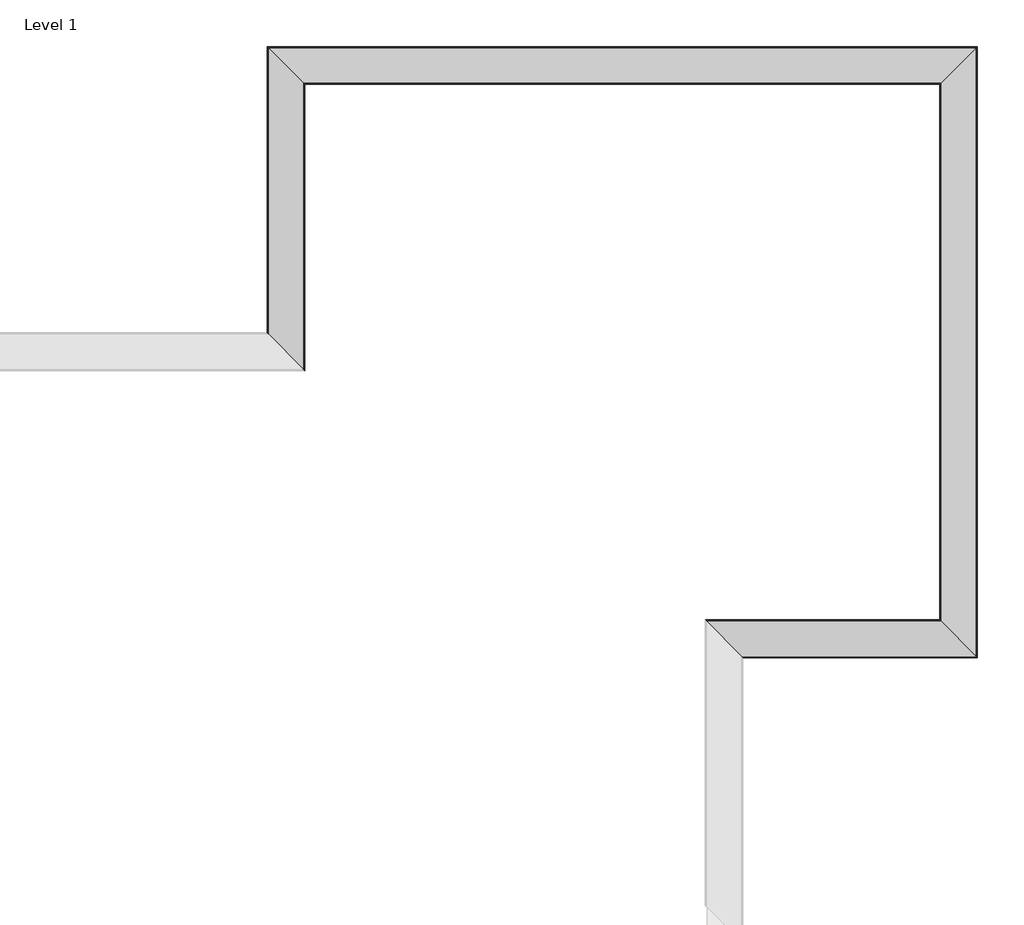
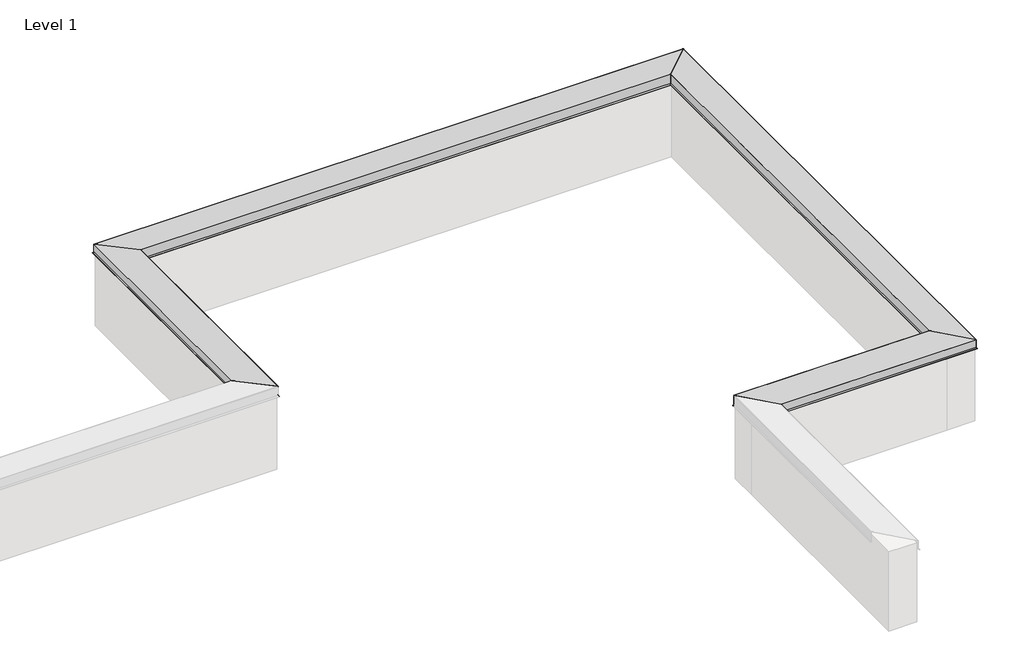
# One storey, part 2 of 2: 4 proxies.
"""IFC4 building model written with IfcOpenShell, lengths in millimetres."""

from ifc_helpers import new_model, si_unit, frame, origin, place, context, project, spatial, ellipse_curve, element, save
from ifc_brep_helpers import plane_surface, cylinder_surface, advanced_brep

model = new_model("IFC4")

# Units and contexts
model_context = context("Model", 3, world=origin())
ifc_project = project(units=[si_unit("LENGTHUNIT", "METRE", prefix="MILLI")], contexts=[model_context])

# Site, building, storey
site = spatial("IfcSite", under=ifc_project)
building = spatial("IfcBuilding", under=site)
storey = spatial("IfcBuildingStorey", under=building, Name="Level 1", Elevation=0.0)

# Proxies
placement = place(None, origin())
element("IfcBuildingElementProxy", 1, Name="Wall Sweeps", at=placement, inside=storey, context=model_context, shape_type="AdvancedBrep", body=[
    advanced_brep(
    [(-4897.3004714, 22766.7096342, 938.5532133), (-4897.3004714, 22766.7096342, 853.6034331), (-4905.2684654, 22774.6776281, 839.8024627), (-4903.7913777, 22773.2005405, 838.3536044), (-4894.2079525, 22763.6171153, 844.1359599), (-4894.7717906, 22764.1809533, 845.0704406), (-4904.2784533, 22773.6876161, 839.3344014), (-4896.2090652, 22765.6182279, 853.3109916), (-4896.2090652, 22765.6182279, 938.7085938), (-4572.3590652, 22441.7682279, 956.4191406), (-4572.3590652, 22441.7682279, 853.3109916), (-4564.289677, 22433.6988398, 839.3344014), (-4573.7963398, 22443.2055026, 845.0704406), (-4574.3601778, 22443.7693406, 844.1359599), (-4564.7767526, 22434.1859154, 838.3536044), (-4563.299665, 22432.7088278, 839.8024627), (-4571.2676589, 22440.6768217, 853.6034331), (-4571.2676589, 22440.6768217, 956.2061298), (-4572.6313554, 22442.0405181, 957.4972868), (-4896.1135138, 22765.5226766, 939.8068563), (-4897.3004714, 25363.4743409, 938.5532133), (-4896.1135138, 25362.2873833, 939.8068563), (-4572.6313554, 25038.8052248, 957.4972868), (-4571.2676589, 25037.4415284, 956.2061298), (-4571.2676589, 25037.4415284, 853.6034331), (-4563.299665, 25029.4735344, 839.8024627), (-4564.7767526, 25030.9506221, 838.3536044), (-4574.3601778, 25040.5340473, 844.1359599), (-4573.7963398, 25039.9702092, 845.0704406), (-4564.289677, 25030.4635465, 839.3344014), (-4572.3590652, 25038.5329346, 853.3109916), (-4572.3590652, 25038.5329346, 956.4191406), (-4896.2090652, 25362.3829346, 938.7085938), (-4896.2090652, 25362.3829346, 853.3109916), (-4904.2784533, 25370.4523228, 839.3344014), (-4894.7717906, 25360.94566, 845.0704406), (-4894.2079525, 25360.381822, 844.1359599), (-4903.7913777, 25369.9652472, 838.3536044), (-4905.2684654, 25371.4423348, 839.8024627), (-4897.3004714, 25363.4743409, 853.6034331)],
    [
        (0, 1),
        (1, 2),
        (2, 3, ellipse_curve(frame((-4904.3432831, 22773.7524459, 839.2683085), z_axis=(-0.7071067811865511, -0.707106781186544, 0.0), x_axis=(0.707106781186544, -0.7071067811865509, 0.0)), 1.5108163, 1.0683085)),
        (3, 4),
        (4, 5),
        (5, 6),
        (6, 7),
        (7, 8),
        (8, 9),
        (9, 10),
        (10, 11),
        (11, 12),
        (12, 13),
        (13, 14),
        (14, 15, ellipse_curve(frame((-4564.2248473, 22433.63401, 839.2683085), z_axis=(-0.7071067811865511, -0.707106781186544, 0.0), x_axis=(0.707106781186544, -0.7071067811865509, 0.0)), 1.5108163, 1.0683085)),
        (15, 16),
        (16, 17),
        (17, 18, ellipse_curve(frame((-4572.5607452, 22441.969908, 956.2061298), z_axis=(-0.7071067811865511, -0.707106781186544, 0.0), x_axis=(0.707106781186544, -0.7071067811865509, 0.0)), 1.8287002, 1.2930863)),
        (18, 19),
        (19, 0, ellipse_curve(frame((-4896.0449552, 22765.454118, 938.5532133), z_axis=(-0.7071067811865511, -0.707106781186544, 0.0), x_axis=(0.707106781186544, -0.7071067811865509, 0.0)), 1.775568, 1.2555162)),
        (20, 21, ellipse_curve(frame((-4896.0449552, 25362.2188247, 938.5532133), z_axis=(0.7071067811865511, 0.707106781186544, 0.0), x_axis=(0.707106781186544, -0.7071067811865509, 0.0)), 1.775568, 1.2555162)),
        (21, 22),
        (22, 23, ellipse_curve(frame((-4572.5607452, 25038.7346147, 956.2061298), z_axis=(0.7071067811865511, 0.707106781186544, 0.0), x_axis=(0.707106781186544, -0.7071067811865509, 0.0)), 1.8287002, 1.2930863)),
        (23, 24),
        (24, 25),
        (25, 26, ellipse_curve(frame((-4564.2248473, 25030.3987167, 839.2683085), z_axis=(0.7071067811865511, 0.707106781186544, 0.0), x_axis=(0.707106781186544, -0.7071067811865509, 0.0)), 1.5108163, 1.0683085)),
        (26, 27),
        (27, 28),
        (28, 29),
        (29, 30),
        (30, 31),
        (31, 32),
        (32, 33),
        (33, 34),
        (34, 35),
        (35, 36),
        (36, 37),
        (37, 38, ellipse_curve(frame((-4904.3432831, 25370.5171525, 839.2683085), z_axis=(0.7071067811865511, 0.707106781186544, 0.0), x_axis=(0.707106781186544, -0.7071067811865509, 0.0)), 1.5108163, 1.0683085)),
        (38, 39),
        (39, 20),
        (0, 20),
        (39, 1),
        (38, 2),
        (37, 3),
        (36, 4),
        (35, 5),
        (34, 6),
        (33, 7),
        (32, 8),
        (31, 9),
        (30, 10),
        (29, 11),
        (28, 12),
        (27, 13),
        (26, 14),
        (25, 15),
        (24, 16),
        (23, 17),
        (22, 18),
        (21, 19),
    ],
    [
        plane_surface(frame((-4734.2840652, 22603.6932279, 609.6), z_axis=(-0.7071067811865511, -0.707106781186544, 0.0), x_axis=(-0.707106781186544, 0.7071067811865511, 0.0))),
        plane_surface(frame((-4734.2840652, 25200.4579346, 1219.2), z_axis=(0.7071067811865511, 0.707106781186544, 0.0), x_axis=(0.707106781186544, -0.7071067811865511, 0.0))),
        plane_surface(frame((-4897.3004714, 22766.7096342, 938.5532133), z_axis=(-1.0, 0.0, 0.0), x_axis=(0.0, 1.0, 0.0))),
        plane_surface(frame((-4897.3004714, 22766.7096342, 853.6034331), z_axis=(-0.8660254037844569, 0.0, 0.4999999999999685), x_axis=(0.0, 1.0, 0.0))),
        cylinder_surface(frame((-4904.3432831, 22603.6932279, 839.2683085), z_axis=(0.0, -1.0, 0.0), x_axis=(1.0, 0.0, 0.0)), 1.0683085),
        plane_surface(frame((-4903.7913777, 22773.2005405, 838.3536044), z_axis=(0.5166161099101971, 0.0, -0.8562171424243123), x_axis=(0.0, 1.0, 0.0))),
        plane_surface(frame((-4894.2079525, 22763.6171153, 844.1359599), z_axis=(0.8562171424243104, 0.0, 0.5166161099102006), x_axis=(0.0, 1.0, 0.0))),
        plane_surface(frame((-4894.7717906, 22764.1809533, 845.0704406), z_axis=(-0.5166161099101976, 0.0, 0.8562171424243121), x_axis=(0.0, 1.0, 0.0))),
        plane_surface(frame((-4904.2784533, 22773.6876161, 839.3344014), z_axis=(0.8660254037844562, 0.0, -0.4999999999999696), x_axis=(0.0, 1.0, 0.0))),
        plane_surface(frame((-4896.2090652, 22765.6182279, 853.3109916), z_axis=(1.0, 0.0, 0.0), x_axis=(0.0, 1.0, 0.0))),
        plane_surface(frame((-4896.2090652, 22765.6182279, 938.7085938), z_axis=(0.054605905401932484, 0.0, -0.9985079844924803), x_axis=(0.0, 1.0, 0.0))),
        plane_surface(frame((-4572.3590652, 22441.7682279, 956.4191406), z_axis=(-1.0, 0.0, 0.0), x_axis=(0.0, 1.0, 0.0))),
        plane_surface(frame((-4572.3590652, 22441.7682279, 853.3109916), z_axis=(-0.8660254037844567, 0.0, -0.49999999999996875), x_axis=(0.0, 1.0, 0.0))),
        plane_surface(frame((-4564.289677, 22433.6988398, 839.3344014), z_axis=(0.5166161099101967, 0.0, 0.8562171424243127), x_axis=(0.0, 1.0, 0.0))),
        plane_surface(frame((-4573.7963398, 22443.2055026, 845.0704406), z_axis=(-0.8562171424243104, 0.0, 0.5166161099102006), x_axis=(0.0, 1.0, 0.0))),
        plane_surface(frame((-4574.3601778, 22443.7693406, 844.1359599), z_axis=(-0.5166161099101941, 0.0, -0.8562171424243141), x_axis=(0.0, 1.0, 0.0))),
        cylinder_surface(frame((-4564.2248473, 22603.6932279, 839.2683085), z_axis=(0.0, -1.0, 0.0), x_axis=(1.0, 0.0, 0.0)), 1.0683085),
        plane_surface(frame((-4563.299665, 22432.7088278, 839.8024627), z_axis=(0.8660254037844565, 0.0, 0.4999999999999693), x_axis=(0.0, 1.0, 0.0))),
        plane_surface(frame((-4571.2676589, 22440.6768217, 853.6034331), z_axis=(1.0, 0.0, 0.0), x_axis=(0.0, 1.0, 0.0))),
        cylinder_surface(frame((-4572.5607452, 22603.6932279, 956.2061298), z_axis=(0.0, -1.0, 0.0), x_axis=(1.0, 0.0, 0.0)), 1.2930863),
        plane_surface(frame((-4572.6313554, 22442.0405181, 957.4972868), z_axis=(-0.05460590540193245, 0.0, 0.9985079844924803), x_axis=(0.0, 1.0, 0.0))),
        cylinder_surface(frame((-4896.0449552, 22603.6932279, 938.5532133), z_axis=(0.0, -1.0, 0.0), x_axis=(1.0, 0.0, 0.0)), 1.2555162),
    ],
    [
        (0, [[1, 2, 3, 4, 5, 6, 7, 8, 9, 10, 11, 12, 13, 14, 15, 16, 17, 18, 19, 20]]),
        (1, [[21, 22, 23, 24, 25, 26, 27, 28, 29, 30, 31, 32, 33, 34, 35, 36, 37, 38, 39, 40]]),
        (2, [[-1, 41, -40, 42]]),
        (3, [[-2, -42, -39, 43]]),
        (4, [[-3, -43, -38, 44]]),
        (5, [[-4, -44, -37, 45]]),
        (6, [[-5, -45, -36, 46]]),
        (7, [[-6, -46, -35, 47]]),
        (8, [[-7, -47, -34, 48]]),
        (9, [[-8, -48, -33, 49]]),
        (10, [[-9, -49, -32, 50]]),
        (11, [[-10, -50, -31, 51]]),
        (12, [[-11, -51, -30, 52]]),
        (13, [[-12, -52, -29, 53]]),
        (14, [[-13, -53, -28, 54]]),
        (15, [[-14, -54, -27, 55]]),
        (16, [[-15, -55, -26, 56]]),
        (17, [[-16, -56, -25, 57]]),
        (18, [[-17, -57, -24, 58]]),
        (19, [[-18, -58, -23, 59]]),
        (20, [[-19, -59, -22, 60]]),
        (21, [[-20, -60, -21, -41]]),
    ],
),
])
element("IfcBuildingElementProxy", 2, Name="Wall Sweeps", at=placement, inside=storey, context=model_context, shape_type="AdvancedBrep", body=[
    advanced_brep(
    [(-4897.3004714, 25363.4743409, 938.5532133), (-4897.3004714, 25363.4743409, 853.6034331), (-4905.2684654, 25371.4423348, 839.8024627), (-4903.7913777, 25369.9652472, 838.3536044), (-4894.2079525, 25360.381822, 844.1359599), (-4894.7717906, 25360.94566, 845.0704406), (-4904.2784533, 25370.4523228, 839.3344014), (-4896.2090652, 25362.3829346, 853.3109916), (-4896.2090652, 25362.3829346, 938.7085938), (-4572.3590652, 25038.5329346, 956.4191406), (-4572.3590652, 25038.5329346, 853.3109916), (-4564.289677, 25030.4635465, 839.3344014), (-4573.7963398, 25039.9702092, 845.0704406), (-4574.3601778, 25040.5340473, 844.1359599), (-4564.7767526, 25030.9506221, 838.3536044), (-4563.299665, 25029.4735344, 839.8024627), (-4571.2676589, 25037.4415284, 853.6034331), (-4571.2676589, 25037.4415284, 956.2061298), (-4572.6313554, 25038.8052248, 957.4972868), (-4896.1135138, 25362.2873833, 939.8068563), (1530.6970478, 25363.4743409, 938.5532133), (1529.5100902, 25362.2873833, 939.8068563), (1206.0279317, 25038.8052248, 957.4972868), (1204.6642353, 25037.4415284, 956.2061298), (1204.6642353, 25037.4415284, 853.6034331), (1196.6962413, 25029.4735344, 839.8024627), (1198.173329, 25030.9506221, 838.3536044), (1207.7567542, 25040.5340473, 844.1359599), (1207.1929161, 25039.9702092, 845.0704406), (1197.6862534, 25030.4635465, 839.3344014), (1205.7556415, 25038.5329346, 853.3109916), (1205.7556415, 25038.5329346, 956.4191406), (1529.6056415, 25362.3829346, 938.7085938), (1529.6056415, 25362.3829346, 853.3109916), (1537.6750297, 25370.4523228, 839.3344014), (1528.1683669, 25360.94566, 845.0704406), (1527.6045289, 25360.381822, 844.1359599), (1537.1879541, 25369.9652472, 838.3536044), (1538.6650417, 25371.4423348, 839.8024627), (1530.6970478, 25363.4743409, 853.6034331)],
    [
        (0, 1),
        (1, 2),
        (2, 3, ellipse_curve(frame((-4904.3432831, 25370.5171525, 839.2683085), z_axis=(-0.7071067811865511, -0.707106781186544, 0.0), x_axis=(-0.7071067811865439, 0.7071067811865511, 0.0)), 1.5108163, 1.0683085)),
        (3, 4),
        (4, 5),
        (5, 6),
        (6, 7),
        (7, 8),
        (8, 9),
        (9, 10),
        (10, 11),
        (11, 12),
        (12, 13),
        (13, 14),
        (14, 15, ellipse_curve(frame((-4564.2248473, 25030.3987167, 839.2683085), z_axis=(-0.7071067811865511, -0.707106781186544, 0.0), x_axis=(-0.7071067811865439, 0.7071067811865511, 0.0)), 1.5108163, 1.0683085)),
        (15, 16),
        (16, 17),
        (17, 18, ellipse_curve(frame((-4572.5607452, 25038.7346147, 956.2061298), z_axis=(-0.7071067811865511, -0.707106781186544, 0.0), x_axis=(-0.7071067811865439, 0.7071067811865511, 0.0)), 1.8287002, 1.2930863)),
        (18, 19),
        (19, 0, ellipse_curve(frame((-4896.0449552, 25362.2188247, 938.5532133), z_axis=(-0.7071067811865511, -0.707106781186544, 0.0), x_axis=(-0.7071067811865439, 0.7071067811865511, 0.0)), 1.775568, 1.2555162)),
        (20, 21, ellipse_curve(frame((1529.4415316, 25362.2188247, 938.5532133), z_axis=(0.7071067811865425, -0.7071067811865527, 0.0), x_axis=(-0.7071067811865525, -0.7071067811865426, 0.0)), 1.775568, 1.2555162)),
        (21, 22),
        (22, 23, ellipse_curve(frame((1205.9573216, 25038.7346147, 956.2061298), z_axis=(0.7071067811865425, -0.7071067811865527, 0.0), x_axis=(-0.7071067811865525, -0.7071067811865426, 0.0)), 1.8287002, 1.2930863)),
        (23, 24),
        (24, 25),
        (25, 26, ellipse_curve(frame((1197.6214236, 25030.3987167, 839.2683085), z_axis=(0.7071067811865425, -0.7071067811865527, 0.0), x_axis=(-0.7071067811865525, -0.7071067811865426, 0.0)), 1.5108163, 1.0683085)),
        (26, 27),
        (27, 28),
        (28, 29),
        (29, 30),
        (30, 31),
        (31, 32),
        (32, 33),
        (33, 34),
        (34, 35),
        (35, 36),
        (36, 37),
        (37, 38, ellipse_curve(frame((1537.7398594, 25370.5171525, 839.2683085), z_axis=(0.7071067811865425, -0.7071067811865527, 0.0), x_axis=(-0.7071067811865525, -0.7071067811865426, 0.0)), 1.5108163, 1.0683085)),
        (38, 39),
        (39, 20),
        (0, 20),
        (39, 1),
        (38, 2),
        (37, 3),
        (36, 4),
        (35, 5),
        (34, 6),
        (33, 7),
        (32, 8),
        (31, 9),
        (30, 10),
        (29, 11),
        (28, 12),
        (27, 13),
        (26, 14),
        (25, 15),
        (24, 16),
        (23, 17),
        (22, 18),
        (21, 19),
    ],
    [
        plane_surface(frame((-4734.2840652, 25200.4579346, 1219.2), z_axis=(-0.7071067811865511, -0.707106781186544, 0.0), x_axis=(0.707106781186544, -0.7071067811865511, 0.0))),
        plane_surface(frame((1367.6806415, 25200.4579346, 1219.2), z_axis=(0.7071067811865425, -0.7071067811865527, 0.0), x_axis=(-0.7071067811865527, -0.7071067811865425, 0.0))),
        plane_surface(frame((-4897.3004714, 25363.4743409, 938.5532133), z_axis=(0.0, 1.0, 0.0), x_axis=(1.0, 0.0, 0.0))),
        plane_surface(frame((-4897.3004714, 25363.4743409, 853.6034331), z_axis=(0.0, 0.8660254037844569, 0.4999999999999685), x_axis=(1.0, 0.0, 0.0))),
        cylinder_surface(frame((-4734.2840652, 25370.5171525, 839.2683085), z_axis=(-1.0, 0.0, 0.0), x_axis=(0.0, -1.0, 0.0)), 1.0683085),
        plane_surface(frame((-4903.7913777, 25369.9652472, 838.3536044), z_axis=(0.0, -0.5166161099101971, -0.8562171424243123), x_axis=(1.0, 0.0, 0.0))),
        plane_surface(frame((-4894.2079525, 25360.381822, 844.1359599), z_axis=(0.0, -0.8562171424243104, 0.5166161099102006), x_axis=(1.0, 0.0, 0.0))),
        plane_surface(frame((-4894.7717906, 25360.94566, 845.0704406), z_axis=(0.0, 0.5166161099101976, 0.8562171424243121), x_axis=(1.0, 0.0, 0.0))),
        plane_surface(frame((-4904.2784533, 25370.4523228, 839.3344014), z_axis=(0.0, -0.8660254037844562, -0.4999999999999696), x_axis=(1.0, 0.0, 0.0))),
        plane_surface(frame((-4896.2090652, 25362.3829346, 853.3109916), z_axis=(0.0, -1.0, 0.0), x_axis=(1.0, 0.0, 0.0))),
        plane_surface(frame((-4896.2090652, 25362.3829346, 938.7085938), z_axis=(0.0, -0.054605905401932484, -0.9985079844924803), x_axis=(1.0, 0.0, 0.0))),
        plane_surface(frame((-4572.3590652, 25038.5329346, 956.4191406), z_axis=(0.0, 1.0, 0.0), x_axis=(1.0, 0.0, 0.0))),
        plane_surface(frame((-4572.3590652, 25038.5329346, 853.3109916), z_axis=(0.0, 0.8660254037844567, -0.49999999999996875), x_axis=(1.0, 0.0, 0.0))),
        plane_surface(frame((-4564.289677, 25030.4635465, 839.3344014), z_axis=(0.0, -0.5166161099101967, 0.8562171424243127), x_axis=(1.0, 0.0, 0.0))),
        plane_surface(frame((-4573.7963398, 25039.9702092, 845.0704406), z_axis=(0.0, 0.8562171424243104, 0.5166161099102006), x_axis=(1.0, 0.0, 0.0))),
        plane_surface(frame((-4574.3601778, 25040.5340473, 844.1359599), z_axis=(0.0, 0.5166161099101941, -0.8562171424243141), x_axis=(1.0, 0.0, 0.0))),
        cylinder_surface(frame((-4734.2840652, 25030.3987167, 839.2683085), z_axis=(-1.0, 0.0, 0.0), x_axis=(0.0, -1.0, 0.0)), 1.0683085),
        plane_surface(frame((-4563.299665, 25029.4735344, 839.8024627), z_axis=(0.0, -0.8660254037844565, 0.4999999999999693), x_axis=(1.0, 0.0, 0.0))),
        plane_surface(frame((-4571.2676589, 25037.4415284, 853.6034331), z_axis=(0.0, -1.0, 0.0), x_axis=(1.0, 0.0, 0.0))),
        cylinder_surface(frame((-4734.2840652, 25038.7346147, 956.2061298), z_axis=(-1.0, 0.0, 0.0), x_axis=(0.0, -1.0, 0.0)), 1.2930863),
        plane_surface(frame((-4572.6313554, 25038.8052248, 957.4972868), z_axis=(0.0, 0.05460590540193245, 0.9985079844924803), x_axis=(1.0, 0.0, 0.0))),
        cylinder_surface(frame((-4734.2840652, 25362.2188247, 938.5532133), z_axis=(-1.0, 0.0, 0.0), x_axis=(0.0, -1.0, 0.0)), 1.2555162),
    ],
    [
        (0, [[1, 2, 3, 4, 5, 6, 7, 8, 9, 10, 11, 12, 13, 14, 15, 16, 17, 18, 19, 20]]),
        (1, [[21, 22, 23, 24, 25, 26, 27, 28, 29, 30, 31, 32, 33, 34, 35, 36, 37, 38, 39, 40]]),
        (2, [[-1, 41, -40, 42]]),
        (3, [[-2, -42, -39, 43]]),
        (4, [[-3, -43, -38, 44]]),
        (5, [[-4, -44, -37, 45]]),
        (6, [[-5, -45, -36, 46]]),
        (7, [[-6, -46, -35, 47]]),
        (8, [[-7, -47, -34, 48]]),
        (9, [[-8, -48, -33, 49]]),
        (10, [[-9, -49, -32, 50]]),
        (11, [[-10, -50, -31, 51]]),
        (12, [[-11, -51, -30, 52]]),
        (13, [[-12, -52, -29, 53]]),
        (14, [[-13, -53, -28, 54]]),
        (15, [[-14, -54, -27, 55]]),
        (16, [[-15, -55, -26, 56]]),
        (17, [[-16, -56, -25, 57]]),
        (18, [[-17, -57, -24, 58]]),
        (19, [[-18, -58, -23, 59]]),
        (20, [[-19, -59, -22, 60]]),
        (21, [[-20, -60, -21, -41]]),
    ],
),
])
element("IfcBuildingElementProxy", 3, Name="Wall Sweeps", at=placement, inside=storey, context=model_context, shape_type="AdvancedBrep", body=[
    advanced_brep(
    [(1530.6970478, 25363.4743409, 938.5532133), (1530.6970478, 25363.4743409, 853.6034331), (1538.6650417, 25371.4423348, 839.8024627), (1537.1879541, 25369.9652472, 838.3536044), (1527.6045289, 25360.381822, 844.1359599), (1528.1683669, 25360.94566, 845.0704406), (1537.6750297, 25370.4523228, 839.3344014), (1529.6056415, 25362.3829346, 853.3109916), (1529.6056415, 25362.3829346, 938.7085938), (1205.7556415, 25038.5329346, 956.4191406), (1205.7556415, 25038.5329346, 853.3109916), (1197.6862534, 25030.4635465, 839.3344014), (1207.1929161, 25039.9702092, 845.0704406), (1207.7567542, 25040.5340473, 844.1359599), (1198.173329, 25030.9506221, 838.3536044), (1196.6962413, 25029.4735344, 839.8024627), (1204.6642353, 25037.4415284, 853.6034331), (1204.6642353, 25037.4415284, 956.2061298), (1206.0279317, 25038.8052248, 957.4972868), (1529.5100902, 25362.2873833, 939.8068563), (1530.6970478, 19837.1584116, 938.5532133), (1529.5100902, 19838.3453692, 939.8068563), (1206.0279317, 20161.8275277, 957.4972868), (1204.6642353, 20163.1912241, 956.2061298), (1204.6642353, 20163.1912241, 853.6034331), (1196.6962413, 20171.1592181, 839.8024627), (1198.173329, 20169.6821304, 838.3536044), (1207.7567542, 20160.0987052, 844.1359599), (1207.1929161, 20160.6625433, 845.0704406), (1197.6862534, 20170.1692061, 839.3344014), (1205.7556415, 20162.0998179, 853.3109916), (1205.7556415, 20162.0998179, 956.4191406), (1529.6056415, 19838.2498179, 938.7085938), (1529.6056415, 19838.2498179, 853.3109916), (1537.6750297, 19830.1804297, 839.3344014), (1528.1683669, 19839.6870925, 845.0704406), (1527.6045289, 19840.2509306, 844.1359599), (1537.1879541, 19830.6675054, 838.3536044), (1538.6650417, 19829.1904177, 839.8024627), (1530.6970478, 19837.1584116, 853.6034331)],
    [
        (0, 1),
        (1, 2),
        (2, 3, ellipse_curve(frame((1537.7398594, 25370.5171525, 839.2683085), z_axis=(-0.7071067811865425, 0.7071067811865527, 0.0), x_axis=(0.7071067811865527, 0.7071067811865424, 0.0)), 1.5108163, 1.0683085)),
        (3, 4),
        (4, 5),
        (5, 6),
        (6, 7),
        (7, 8),
        (8, 9),
        (9, 10),
        (10, 11),
        (11, 12),
        (12, 13),
        (13, 14),
        (14, 15, ellipse_curve(frame((1197.6214236, 25030.3987167, 839.2683085), z_axis=(-0.7071067811865425, 0.7071067811865527, 0.0), x_axis=(0.7071067811865527, 0.7071067811865424, 0.0)), 1.5108163, 1.0683085)),
        (15, 16),
        (16, 17),
        (17, 18, ellipse_curve(frame((1205.9573216, 25038.7346147, 956.2061298), z_axis=(-0.7071067811865425, 0.7071067811865527, 0.0), x_axis=(0.7071067811865527, 0.7071067811865424, 0.0)), 1.8287002, 1.2930863)),
        (18, 19),
        (19, 0, ellipse_curve(frame((1529.4415316, 25362.2188247, 938.5532133), z_axis=(-0.7071067811865425, 0.7071067811865527, 0.0), x_axis=(0.7071067811865527, 0.7071067811865424, 0.0)), 1.775568, 1.2555162)),
        (20, 21, ellipse_curve(frame((1529.4415316, 19838.4139278, 938.5532133), z_axis=(-0.7071067811865513, -0.7071067811865438, 0.0), x_axis=(-0.7071067811865438, 0.7071067811865512, 0.0)), 1.775568, 1.2555162)),
        (21, 22),
        (22, 23, ellipse_curve(frame((1205.9573216, 20161.8981379, 956.2061298), z_axis=(-0.7071067811865513, -0.7071067811865438, 0.0), x_axis=(-0.7071067811865438, 0.7071067811865512, 0.0)), 1.8287002, 1.2930863)),
        (23, 24),
        (24, 25),
        (25, 26, ellipse_curve(frame((1197.6214236, 20170.2340358, 839.2683085), z_axis=(-0.7071067811865513, -0.7071067811865438, 0.0), x_axis=(-0.7071067811865438, 0.7071067811865512, 0.0)), 1.5108163, 1.0683085)),
        (26, 27),
        (27, 28),
        (28, 29),
        (29, 30),
        (30, 31),
        (31, 32),
        (32, 33),
        (33, 34),
        (34, 35),
        (35, 36),
        (36, 37),
        (37, 38, ellipse_curve(frame((1537.7398594, 19830.1156, 839.2683085), z_axis=(-0.7071067811865513, -0.7071067811865438, 0.0), x_axis=(-0.7071067811865438, 0.7071067811865512, 0.0)), 1.5108163, 1.0683085)),
        (38, 39),
        (39, 20),
        (0, 20),
        (39, 1),
        (38, 2),
        (37, 3),
        (36, 4),
        (35, 5),
        (34, 6),
        (33, 7),
        (32, 8),
        (31, 9),
        (30, 10),
        (29, 11),
        (28, 12),
        (27, 13),
        (26, 14),
        (25, 15),
        (24, 16),
        (23, 17),
        (22, 18),
        (21, 19),
    ],
    [
        plane_surface(frame((1367.6806415, 25200.4579346, 1219.2), z_axis=(-0.7071067811865425, 0.7071067811865527, 0.0), x_axis=(-0.7071067811865527, -0.7071067811865425, 0.0))),
        plane_surface(frame((1367.6806415, 20000.1748179, 1219.2), z_axis=(-0.7071067811865513, -0.7071067811865438, 0.0), x_axis=(-0.7071067811865438, 0.7071067811865513, 0.0))),
        plane_surface(frame((1530.6970478, 25363.4743409, 938.5532133), z_axis=(1.0, 0.0, 0.0), x_axis=(0.0, -1.0, 0.0))),
        plane_surface(frame((1530.6970478, 25363.4743409, 853.6034331), z_axis=(0.8660254037844569, 0.0, 0.4999999999999685), x_axis=(0.0, -1.0, 0.0))),
        cylinder_surface(frame((1537.7398594, 25200.4579346, 839.2683085), z_axis=(0.0, 1.0, 0.0), x_axis=(-1.0, 0.0, 0.0)), 1.0683085),
        plane_surface(frame((1537.1879541, 25369.9652472, 838.3536044), z_axis=(-0.5166161099101971, 0.0, -0.8562171424243123), x_axis=(0.0, -1.0, 0.0))),
        plane_surface(frame((1527.6045289, 25360.381822, 844.1359599), z_axis=(-0.8562171424243104, 0.0, 0.5166161099102006), x_axis=(0.0, -1.0, 0.0))),
        plane_surface(frame((1528.1683669, 25360.94566, 845.0704406), z_axis=(0.5166161099101976, 0.0, 0.8562171424243121), x_axis=(0.0, -1.0, 0.0))),
        plane_surface(frame((1537.6750297, 25370.4523228, 839.3344014), z_axis=(-0.8660254037844562, 0.0, -0.4999999999999696), x_axis=(0.0, -1.0, 0.0))),
        plane_surface(frame((1529.6056415, 25362.3829346, 853.3109916), z_axis=(-1.0, 0.0, 0.0), x_axis=(0.0, -1.0, 0.0))),
        plane_surface(frame((1529.6056415, 25362.3829346, 938.7085938), z_axis=(-0.054605905401932484, 0.0, -0.9985079844924803), x_axis=(0.0, -1.0, 0.0))),
        plane_surface(frame((1205.7556415, 25038.5329346, 956.4191406), z_axis=(1.0, 0.0, 0.0), x_axis=(0.0, -1.0, 0.0))),
        plane_surface(frame((1205.7556415, 25038.5329346, 853.3109916), z_axis=(0.8660254037844567, 0.0, -0.49999999999996875), x_axis=(0.0, -1.0, 0.0))),
        plane_surface(frame((1197.6862534, 25030.4635465, 839.3344014), z_axis=(-0.5166161099101967, 0.0, 0.8562171424243127), x_axis=(0.0, -1.0, 0.0))),
        plane_surface(frame((1207.1929161, 25039.9702092, 845.0704406), z_axis=(0.8562171424243104, 0.0, 0.5166161099102006), x_axis=(0.0, -1.0, 0.0))),
        plane_surface(frame((1207.7567542, 25040.5340473, 844.1359599), z_axis=(0.5166161099101941, 0.0, -0.8562171424243141), x_axis=(0.0, -1.0, 0.0))),
        cylinder_surface(frame((1197.6214236, 25200.4579346, 839.2683085), z_axis=(0.0, 1.0, 0.0), x_axis=(-1.0, 0.0, 0.0)), 1.0683085),
        plane_surface(frame((1196.6962413, 25029.4735344, 839.8024627), z_axis=(-0.8660254037844565, 0.0, 0.4999999999999693), x_axis=(0.0, -1.0, 0.0))),
        plane_surface(frame((1204.6642353, 25037.4415284, 853.6034331), z_axis=(-1.0, 0.0, 0.0), x_axis=(0.0, -1.0, 0.0))),
        cylinder_surface(frame((1205.9573216, 25200.4579346, 956.2061298), z_axis=(0.0, 1.0, 0.0), x_axis=(-1.0, 0.0, 0.0)), 1.2930863),
        plane_surface(frame((1206.0279317, 25038.8052248, 957.4972868), z_axis=(0.05460590540193245, 0.0, 0.9985079844924803), x_axis=(0.0, -1.0, 0.0))),
        cylinder_surface(frame((1529.4415316, 25200.4579346, 938.5532133), z_axis=(0.0, 1.0, 0.0), x_axis=(-1.0, 0.0, 0.0)), 1.2555162),
    ],
    [
        (0, [[1, 2, 3, 4, 5, 6, 7, 8, 9, 10, 11, 12, 13, 14, 15, 16, 17, 18, 19, 20]]),
        (1, [[21, 22, 23, 24, 25, 26, 27, 28, 29, 30, 31, 32, 33, 34, 35, 36, 37, 38, 39, 40]]),
        (2, [[-1, 41, -40, 42]]),
        (3, [[-2, -42, -39, 43]]),
        (4, [[-3, -43, -38, 44]]),
        (5, [[-4, -44, -37, 45]]),
        (6, [[-5, -45, -36, 46]]),
        (7, [[-6, -46, -35, 47]]),
        (8, [[-7, -47, -34, 48]]),
        (9, [[-8, -48, -33, 49]]),
        (10, [[-9, -49, -32, 50]]),
        (11, [[-10, -50, -31, 51]]),
        (12, [[-11, -51, -30, 52]]),
        (13, [[-12, -52, -29, 53]]),
        (14, [[-13, -53, -28, 54]]),
        (15, [[-14, -54, -27, 55]]),
        (16, [[-15, -55, -26, 56]]),
        (17, [[-16, -56, -25, 57]]),
        (18, [[-17, -57, -24, 58]]),
        (19, [[-18, -58, -23, 59]]),
        (20, [[-19, -59, -22, 60]]),
        (21, [[-20, -60, -21, -41]]),
    ],
),
])
element("IfcBuildingElementProxy", 4, Name="Wall Sweeps", at=placement, inside=storey, context=model_context, shape_type="AdvancedBrep", body=[
    advanced_brep(
    [(1530.6970478, 19837.1584116, 938.5532133), (1530.6970478, 19837.1584116, 853.6034331), (1538.6650417, 19829.1904177, 839.8024627), (1537.1879541, 19830.6675054, 838.3536044), (1527.6045289, 19840.2509306, 844.1359599), (1528.1683669, 19839.6870925, 845.0704406), (1537.6750297, 19830.1804297, 839.3344014), (1529.6056415, 19838.2498179, 853.3109916), (1529.6056415, 19838.2498179, 938.7085938), (1205.7556415, 20162.0998179, 956.4191406), (1205.7556415, 20162.0998179, 853.3109916), (1197.6862534, 20170.1692061, 839.3344014), (1207.1929161, 20160.6625433, 845.0704406), (1207.7567542, 20160.0987052, 844.1359599), (1198.173329, 20169.6821304, 838.3536044), (1196.6962413, 20171.1592181, 839.8024627), (1204.6642353, 20163.1912241, 853.6034331), (1204.6642353, 20163.1912241, 956.2061298), (1206.0279317, 20161.8275277, 957.4972868), (1529.5100902, 19838.3453692, 939.8068563), (-596.1492489, 19837.1584116, 938.5532133), (-597.3362065, 19838.3453692, 939.8068563), (-920.8183649, 20161.8275277, 957.4972868), (-922.1820614, 20163.1912241, 956.2061298), (-922.1820614, 20163.1912241, 853.6034331), (-930.1500553, 20171.1592181, 839.8024627), (-928.6729677, 20169.6821304, 838.3536044), (-919.0895425, 20160.0987052, 844.1359599), (-919.6533805, 20160.6625433, 845.0704406), (-929.1600433, 20170.1692061, 839.3344014), (-921.0906551, 20162.0998179, 853.3109916), (-921.0906551, 20162.0998179, 956.4191406), (-597.2406551, 19838.2498179, 938.7085938), (-597.2406551, 19838.2498179, 853.3109916), (-589.171267, 19830.1804297, 839.3344014), (-598.6779297, 19839.6870925, 845.0704406), (-599.2417678, 19840.2509306, 844.1359599), (-589.6583426, 19830.6675054, 838.3536044), (-588.1812549, 19829.1904177, 839.8024627), (-596.1492489, 19837.1584116, 853.6034331)],
    [
        (0, 1),
        (1, 2),
        (2, 3, ellipse_curve(frame((1537.7398594, 19830.1156, 839.2683085), z_axis=(0.7071067811865513, 0.7071067811865438, 0.0), x_axis=(0.7071067811865436, -0.7071067811865515, 0.0)), 1.5108163, 1.0683085)),
        (3, 4),
        (4, 5),
        (5, 6),
        (6, 7),
        (7, 8),
        (8, 9),
        (9, 10),
        (10, 11),
        (11, 12),
        (12, 13),
        (13, 14),
        (14, 15, ellipse_curve(frame((1197.6214236, 20170.2340358, 839.2683085), z_axis=(0.7071067811865513, 0.7071067811865438, 0.0), x_axis=(0.7071067811865436, -0.7071067811865515, 0.0)), 1.5108163, 1.0683085)),
        (15, 16),
        (16, 17),
        (17, 18, ellipse_curve(frame((1205.9573216, 20161.8981379, 956.2061298), z_axis=(0.7071067811865513, 0.7071067811865438, 0.0), x_axis=(0.7071067811865436, -0.7071067811865515, 0.0)), 1.8287002, 1.2930863)),
        (18, 19),
        (19, 0, ellipse_curve(frame((1529.4415316, 19838.4139278, 938.5532133), z_axis=(0.7071067811865513, 0.7071067811865438, 0.0), x_axis=(0.7071067811865436, -0.7071067811865515, 0.0)), 1.775568, 1.2555162)),
        (20, 21, ellipse_curve(frame((-597.4047651, 19838.4139278, 938.5532133), z_axis=(-0.7071067811865513, -0.7071067811865438, 0.0), x_axis=(0.7071067811865436, -0.7071067811865515, 0.0)), 1.775568, 1.2555162)),
        (21, 22),
        (22, 23, ellipse_curve(frame((-920.8889751, 20161.8981379, 956.2061298), z_axis=(-0.7071067811865513, -0.7071067811865438, 0.0), x_axis=(0.7071067811865436, -0.7071067811865515, 0.0)), 1.8287002, 1.2930863)),
        (23, 24),
        (24, 25),
        (25, 26, ellipse_curve(frame((-929.224873, 20170.2340358, 839.2683085), z_axis=(-0.7071067811865513, -0.7071067811865438, 0.0), x_axis=(0.7071067811865436, -0.7071067811865515, 0.0)), 1.5108163, 1.0683085)),
        (26, 27),
        (27, 28),
        (28, 29),
        (29, 30),
        (30, 31),
        (31, 32),
        (32, 33),
        (33, 34),
        (34, 35),
        (35, 36),
        (36, 37),
        (37, 38, ellipse_curve(frame((-589.1064372, 19830.1156, 839.2683085), z_axis=(-0.7071067811865513, -0.7071067811865438, 0.0), x_axis=(0.7071067811865436, -0.7071067811865515, 0.0)), 1.5108163, 1.0683085)),
        (38, 39),
        (39, 20),
        (0, 20),
        (39, 1),
        (38, 2),
        (37, 3),
        (36, 4),
        (35, 5),
        (34, 6),
        (33, 7),
        (32, 8),
        (31, 9),
        (30, 10),
        (29, 11),
        (28, 12),
        (27, 13),
        (26, 14),
        (25, 15),
        (24, 16),
        (23, 17),
        (22, 18),
        (21, 19),
    ],
    [
        plane_surface(frame((1367.6806415, 20000.1748179, 1219.2), z_axis=(0.7071067811865513, 0.7071067811865438, 0.0), x_axis=(-0.7071067811865438, 0.7071067811865513, 0.0))),
        plane_surface(frame((-759.1656551, 20000.1748179, 609.6), z_axis=(-0.7071067811865513, -0.7071067811865438, 0.0), x_axis=(0.7071067811865438, -0.7071067811865513, 0.0))),
        plane_surface(frame((1530.6970478, 19837.1584116, 938.5532133), z_axis=(0.0, -1.0, 0.0), x_axis=(-1.0, 0.0, 0.0))),
        plane_surface(frame((1530.6970478, 19837.1584116, 853.6034331), z_axis=(0.0, -0.8660254037844569, 0.4999999999999685), x_axis=(-1.0, 0.0, 0.0))),
        cylinder_surface(frame((1367.6806415, 19830.1156, 839.2683085), z_axis=(1.0, 0.0, 0.0), x_axis=(0.0, 1.0, 0.0)), 1.0683085),
        plane_surface(frame((1537.1879541, 19830.6675054, 838.3536044), z_axis=(0.0, 0.5166161099101971, -0.8562171424243123), x_axis=(-1.0, 0.0, 0.0))),
        plane_surface(frame((1527.6045289, 19840.2509306, 844.1359599), z_axis=(0.0, 0.8562171424243104, 0.5166161099102006), x_axis=(-1.0, 0.0, 0.0))),
        plane_surface(frame((1528.1683669, 19839.6870925, 845.0704406), z_axis=(0.0, -0.5166161099101976, 0.8562171424243121), x_axis=(-1.0, 0.0, 0.0))),
        plane_surface(frame((1537.6750297, 19830.1804297, 839.3344014), z_axis=(0.0, 0.8660254037844562, -0.4999999999999696), x_axis=(-1.0, 0.0, 0.0))),
        plane_surface(frame((1529.6056415, 19838.2498179, 853.3109916), z_axis=(0.0, 1.0, 0.0), x_axis=(-1.0, 0.0, 0.0))),
        plane_surface(frame((1529.6056415, 19838.2498179, 938.7085938), z_axis=(0.0, 0.054605905401932484, -0.9985079844924803), x_axis=(-1.0, 0.0, 0.0))),
        plane_surface(frame((1205.7556415, 20162.0998179, 956.4191406), z_axis=(0.0, -1.0, 0.0), x_axis=(-1.0, 0.0, 0.0))),
        plane_surface(frame((1205.7556415, 20162.0998179, 853.3109916), z_axis=(0.0, -0.8660254037844567, -0.49999999999996875), x_axis=(-1.0, 0.0, 0.0))),
        plane_surface(frame((1197.6862534, 20170.1692061, 839.3344014), z_axis=(0.0, 0.5166161099101967, 0.8562171424243127), x_axis=(-1.0, 0.0, 0.0))),
        plane_surface(frame((1207.1929161, 20160.6625433, 845.0704406), z_axis=(0.0, -0.8562171424243104, 0.5166161099102006), x_axis=(-1.0, 0.0, 0.0))),
        plane_surface(frame((1207.7567542, 20160.0987052, 844.1359599), z_axis=(0.0, -0.5166161099101941, -0.8562171424243141), x_axis=(-1.0, 0.0, 0.0))),
        cylinder_surface(frame((1367.6806415, 20170.2340358, 839.2683085), z_axis=(1.0, 0.0, 0.0), x_axis=(0.0, 1.0, 0.0)), 1.0683085),
        plane_surface(frame((1196.6962413, 20171.1592181, 839.8024627), z_axis=(0.0, 0.8660254037844565, 0.4999999999999693), x_axis=(-1.0, 0.0, 0.0))),
        plane_surface(frame((1204.6642353, 20163.1912241, 853.6034331), z_axis=(0.0, 1.0, 0.0), x_axis=(-1.0, 0.0, 0.0))),
        cylinder_surface(frame((1367.6806415, 20161.8981379, 956.2061298), z_axis=(1.0, 0.0, 0.0), x_axis=(0.0, 1.0, 0.0)), 1.2930863),
        plane_surface(frame((1206.0279317, 20161.8275277, 957.4972868), z_axis=(0.0, -0.05460590540193245, 0.9985079844924803), x_axis=(-1.0, 0.0, 0.0))),
        cylinder_surface(frame((1367.6806415, 19838.4139278, 938.5532133), z_axis=(1.0, 0.0, 0.0), x_axis=(0.0, 1.0, 0.0)), 1.2555162),
    ],
    [
        (0, [[1, 2, 3, 4, 5, 6, 7, 8, 9, 10, 11, 12, 13, 14, 15, 16, 17, 18, 19, 20]]),
        (1, [[21, 22, 23, 24, 25, 26, 27, 28, 29, 30, 31, 32, 33, 34, 35, 36, 37, 38, 39, 40]]),
        (2, [[-1, 41, -40, 42]]),
        (3, [[-2, -42, -39, 43]]),
        (4, [[-3, -43, -38, 44]]),
        (5, [[-4, -44, -37, 45]]),
        (6, [[-5, -45, -36, 46]]),
        (7, [[-6, -46, -35, 47]]),
        (8, [[-7, -47, -34, 48]]),
        (9, [[-8, -48, -33, 49]]),
        (10, [[-9, -49, -32, 50]]),
        (11, [[-10, -50, -31, 51]]),
        (12, [[-11, -51, -30, 52]]),
        (13, [[-12, -52, -29, 53]]),
        (14, [[-13, -53, -28, 54]]),
        (15, [[-14, -54, -27, 55]]),
        (16, [[-15, -55, -26, 56]]),
        (17, [[-16, -56, -25, 57]]),
        (18, [[-17, -57, -24, 58]]),
        (19, [[-18, -58, -23, 59]]),
        (20, [[-19, -59, -22, 60]]),
        (21, [[-20, -60, -21, -41]]),
    ],
),
])

save(model, "model.ifc")
